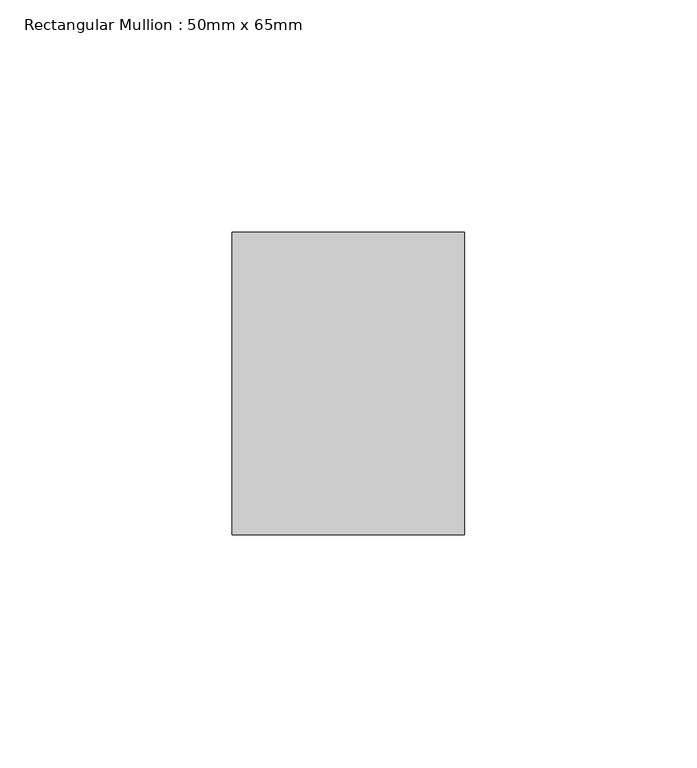
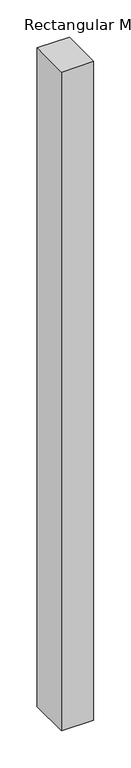
"""IFC4 building model written with IfcOpenShell, lengths in millimetres: member geometry, Rectangular Mullion : 50mm x 65mm."""

from ifc_helpers import new_model, si_unit, frame, origin, place, context, project, spatial, polyline, outline, extrude, source, transform, mapped, element, save


def rectangular_mullion_50mm_x_65mm_b7f0ec93(model_context):
    return source(origin(), model_context, "Body", "SweptSolid", [
        extrude(outline(polyline([(25.0, 32.5), (25.0, -32.5), (-25.0, -32.5), (-25.0, 32.5), (25.0, 32.5)])), frame((0.0, 0.0, -1078.0449334), z_axis=(0.0, 0.0, 1.0), x_axis=(1.0, 0.0, 0.0)), (0.0, 0.0, 1.0), 1078.0449334),
    ])


if __name__ == "__main__":
    model = new_model("IFC4")
    model_context = context("Model", 3, world=origin())
    ifc_project = project(units=[si_unit("LENGTHUNIT", "METRE", prefix="MILLI")], contexts=[model_context])
    site = spatial("IfcSite", under=ifc_project)
    building = spatial("IfcBuilding", under=site)
    placement = place(None, origin())
    rectangular_mullion_50mm_x_65mm_shape = rectangular_mullion_50mm_x_65mm_b7f0ec93(model_context)
    element("IfcMember", 1, ObjectType="Rectangular Mullion : 50mm x 65mm", at=placement, inside=building, context=model_context, shape_type="MappedRepresentation", body=[
        mapped(rectangular_mullion_50mm_x_65mm_shape, transform((0.0, 0.0, 0.0), x_axis=(1.0, 0.0, 0.0), y_axis=(0.0, 1.0, 0.0), z_axis=(0.0, 0.0, 1.0))),
    ])
    save(model, "model.ifc")
